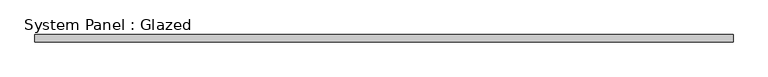
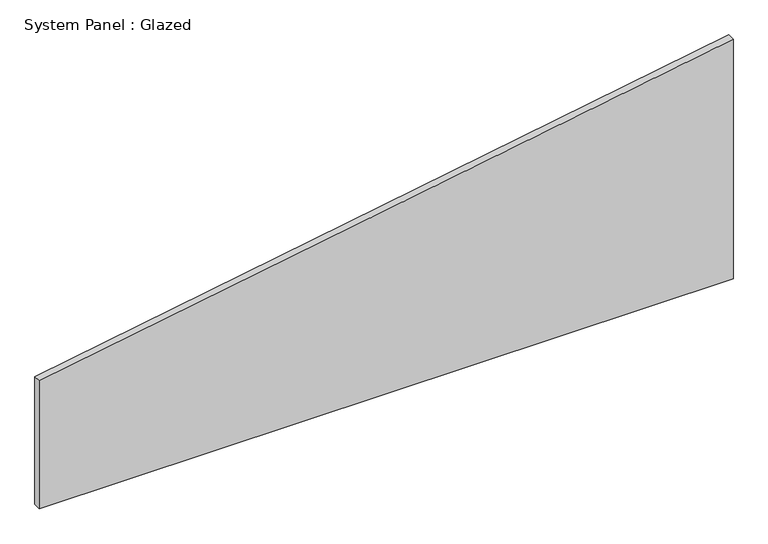
"""IFC4 building model written with IfcOpenShell, lengths in millimetres: plate geometry, System Panel : Glazed."""

from ifc_helpers import new_model, si_unit, frame, origin, place, context, project, spatial, polyline, outline, extrude, source, transform, mapped, element, save


def system_panel_glazed_55aa6176(model_context):
    return source(origin(), model_context, "Body", "SweptSolid", [
        extrude(outline(polyline([(0.0, -1171.7121958), (0.0, 1171.7121958), (855.6434646, 1171.7121958), (455.6037512, -1171.7121958), (0.0, -1171.7121958)])), frame((0.0, -49.5, 0.0), z_axis=(0.0, 1.0, 0.0), x_axis=(0.0, 0.0, 1.0)), (0.0, 0.0, 1.0), 25.0),
    ])


if __name__ == "__main__":
    model = new_model("IFC4")
    model_context = context("Model", 3, world=origin())
    ifc_project = project(units=[si_unit("LENGTHUNIT", "METRE", prefix="MILLI")], contexts=[model_context])
    site = spatial("IfcSite", under=ifc_project)
    building = spatial("IfcBuilding", under=site)
    placement = place(None, origin())
    system_panel_glazed_shape = system_panel_glazed_55aa6176(model_context)
    element("IfcPlate", 1, ObjectType="System Panel : Glazed", at=placement, inside=building, context=model_context, shape_type="MappedRepresentation", body=[
        mapped(system_panel_glazed_shape, transform((0.0, 0.0, 0.0), x_axis=(1.0, 0.0, 0.0), y_axis=(0.0, 1.0, 0.0), z_axis=(0.0, 0.0, 1.0))),
    ])
    save(model, "model.ifc")
